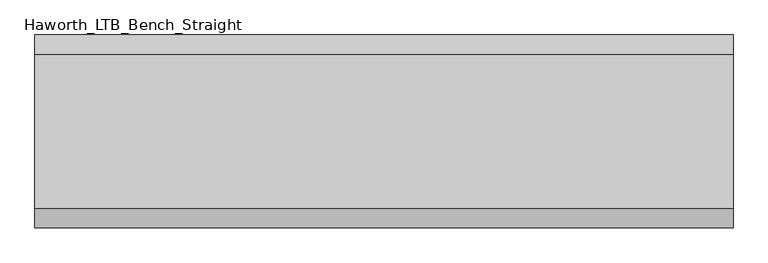
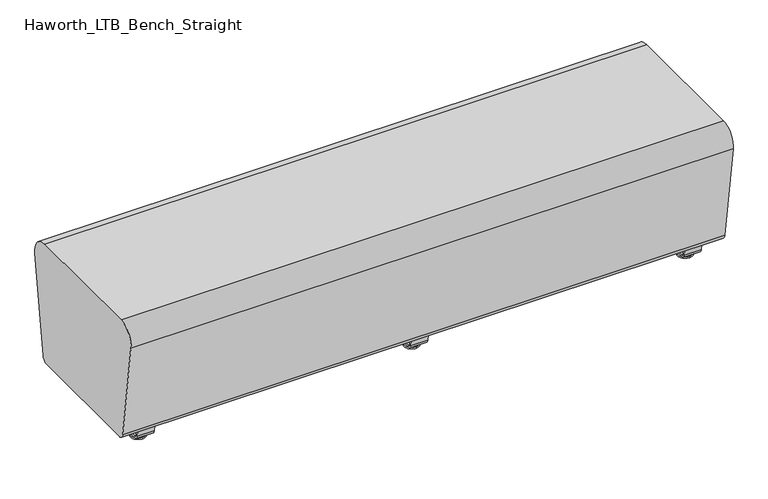
"""IFC4 building model written with IfcOpenShell, lengths in millimetres: furniture geometry, Haworth_LTB_Bench_Straight."""

from ifc_helpers import new_model, si_unit, point, frame, frame_2d, origin, place, context, project, spatial, polyline, circle_curve, ellipse_curve, trimmed, segment, composite_curve, outline, extrude, source, transform, mapped, element, save
from ifc_brep_helpers import plane_surface, cylinder_surface, revolved_surface, advanced_brep


def haworth_ltb_bench_straight_8e9fe05c(model_context):
    return source(origin(), model_context, "Body", "SolidModel", [
        advanced_brep(
        [(0.0, -134.8425052, 7.8133431), (0.0, -150.8355515, 7.8133431), (0.0, -147.6015284, 7.8133431), (0.0, -138.0765284, 7.8133431), (0.0, -120.9001513, 4.0775), (0.0, -164.7779054, 4.0775), (0.0, -121.3107026, 0.0), (0.0, -164.3673542, 0.0), (0.0, -142.8390284, 0.0), (0.0, -138.0765284, 50.0000004), (0.0, -147.6015284, 50.0000004), (0.0, -142.8390284, 50.0000004)],
        [
            (0, 1, circle_curve(frame((0.0, -142.8390284, 7.8133431), z_axis=(0.0, 0.0, 1.0), x_axis=(0.0, -1.0, 0.0)), 7.9965232)),
            (1, 2),
            (2, 3, circle_curve(frame((0.0, -142.8390284, 7.8133431), z_axis=(0.0, 0.0, -1.0), x_axis=(0.0, -1.0, 0.0)), 4.7625)),
            (3, 0),
            (1, 0, circle_curve(frame((0.0, -142.8390284, 7.8133431), z_axis=(0.0, 0.0, 1.0), x_axis=(0.0, -1.0, 0.0)), 7.9965232)),
            (3, 2, circle_curve(frame((0.0, -142.8390284, 7.8133431), z_axis=(0.0, 0.0, -1.0), x_axis=(0.0, -1.0, 0.0)), 4.7625)),
            (4, 5, circle_curve(frame((0.0, -142.8390284, 4.0775), z_axis=(0.0, 0.0, 1.0), x_axis=(0.0, -1.0, 0.0)), 21.9388771)),
            (5, 1),
            (0, 4),
            (5, 4, circle_curve(frame((0.0, -142.8390284, 4.0775), z_axis=(0.0, 0.0, 1.0), x_axis=(0.0, -1.0, 0.0)), 21.9388771)),
            (6, 7, circle_curve(frame((0.0, -142.8390284, 0.0), z_axis=(0.0, 0.0, 1.0), x_axis=(0.0, -1.0, 0.0)), 21.5283258)),
            (7, 5, circle_curve(frame((0.0, -164.2405822, 2.0721829), z_axis=(-1.0, 0.0, 0.0), x_axis=(0.0, 1.0, 0.0)), 2.0760571)),
            (4, 6, circle_curve(frame((0.0, -121.4374745, 2.0721829), z_axis=(-1.0, 0.0, 0.0), x_axis=(0.0, -1.0, 0.0)), 2.0760571)),
            (7, 6, circle_curve(frame((0.0, -142.8390284, 0.0), z_axis=(0.0, 0.0, 1.0), x_axis=(0.0, -1.0, 0.0)), 21.5283258)),
            (8, 7),
            (6, 8),
            (9, 10, circle_curve(frame((0.0, -142.8390284, 50.0000004), z_axis=(0.0, 0.0, 1.0), x_axis=(0.0, -1.0, 0.0)), 4.7625)),
            (10, 11),
            (11, 9),
            (10, 9, circle_curve(frame((0.0, -142.8390284, 50.0000004), z_axis=(0.0, 0.0, 1.0), x_axis=(0.0, -1.0, 0.0)), 4.7625)),
            (2, 10),
            (9, 3),
        ],
        [
            plane_surface(frame((0.0, -142.8390284, 7.8133431), z_axis=(0.0, 0.0, 1.0), x_axis=(0.0, -1.0, 0.0))),
            revolved_surface(polyline([(0.0, -150.8355515, 7.8133431), (0.0, -164.7779054, 4.0775)]), (0.0, -142.8390284, 0.0), (0.0, 0.0, -1.0)),
            revolved_surface(trimmed(ellipse_curve(frame((0.0, -164.2405822, 2.0721829), z_axis=(1.0, 0.0, 0.0), x_axis=(0.0, 1.0, 0.0)), 2.0760571, 2.0760571), [point((0.0, -164.7779054, 4.0775))], [point((0.0, -164.3673542, 0.0))], True, "CARTESIAN"), (0.0, -142.8390284, 0.0), (0.0, 0.0, -1.0)),
            plane_surface(frame((0.0, -142.8390284, 0.0), z_axis=(0.0, 0.0, -1.0), x_axis=(0.0, -1.0, 0.0))),
            plane_surface(frame((0.0, -142.8390284, 50.0000004), z_axis=(0.0, 0.0, 1.0), x_axis=(0.0, -1.0, 0.0))),
            cylinder_surface(frame((0.0, -142.8390284, 0.0), z_axis=(0.0, 0.0, -1.0), x_axis=(0.0, -1.0, 0.0)), 4.7625),
        ],
        [
            (0, [[1, 2, 3, 4]]),
            (0, [[5, -4, 6, -2]]),
            (1, [[7, 8, -1, 9]]),
            (1, [[10, -9, -5, -8]]),
            (2, [[11, 12, -7, 13]]),
            (2, [[14, -13, -10, -12]]),
            (3, [[15, -11, 16]]),
            (3, [[-16, -14, -15]]),
            (4, [[17, 18, 19]]),
            (4, [[20, -19, -18]]),
            (5, [[-3, 21, -17, 22]]),
            (5, [[-6, -22, -20, -21]]),
        ],
    ),
        advanced_brep(
        [(0.0, 138.0765284, 7.8133431), (0.0, 147.6015284, 7.8133431), (0.0, 150.8355515, 7.8133431), (0.0, 134.8425052, 7.8133431), (0.0, 164.7779054, 4.0775), (0.0, 120.9001513, 4.0775), (0.0, 164.3673542, 0.0), (0.0, 121.3107026, 0.0), (0.0, 142.8390284, 0.0), (0.0, 142.8390284, 50.0000004), (0.0, 147.6015284, 50.0000004), (0.0, 138.0765284, 50.0000004)],
        [
            (0, 1, circle_curve(frame((0.0, 142.8390284, 7.8133431), z_axis=(0.0, 0.0, -1.0), x_axis=(0.0, 1.0, 0.0)), 4.7625)),
            (1, 2),
            (2, 3, circle_curve(frame((0.0, 142.8390284, 7.8133431), z_axis=(0.0, 0.0, 1.0), x_axis=(0.0, 1.0, 0.0)), 7.9965232)),
            (3, 0),
            (1, 0, circle_curve(frame((0.0, 142.8390284, 7.8133431), z_axis=(0.0, 0.0, -1.0), x_axis=(0.0, 1.0, 0.0)), 4.7625)),
            (3, 2, circle_curve(frame((0.0, 142.8390284, 7.8133431), z_axis=(0.0, 0.0, 1.0), x_axis=(0.0, 1.0, 0.0)), 7.9965232)),
            (2, 4),
            (4, 5, circle_curve(frame((0.0, 142.8390284, 4.0775), z_axis=(0.0, 0.0, 1.0), x_axis=(0.0, 1.0, 0.0)), 21.9388771)),
            (5, 3),
            (5, 4, circle_curve(frame((0.0, 142.8390284, 4.0775), z_axis=(0.0, 0.0, 1.0), x_axis=(0.0, 1.0, 0.0)), 21.9388771)),
            (4, 6, circle_curve(frame((0.0, 164.2405822, 2.0721829), z_axis=(-1.0, 0.0, 0.0), x_axis=(0.0, -1.0, 0.0)), 2.0760571)),
            (6, 7, circle_curve(frame((0.0, 142.8390284, 0.0), z_axis=(0.0, 0.0, 1.0), x_axis=(0.0, 1.0, 0.0)), 21.5283258)),
            (7, 5, circle_curve(frame((0.0, 121.4374745, 2.0721829), z_axis=(-1.0, 0.0, 0.0), x_axis=(0.0, 1.0, 0.0)), 2.0760571)),
            (7, 6, circle_curve(frame((0.0, 142.8390284, 0.0), z_axis=(0.0, 0.0, 1.0), x_axis=(0.0, 1.0, 0.0)), 21.5283258)),
            (6, 8),
            (8, 7),
            (9, 10),
            (10, 11, circle_curve(frame((0.0, 142.8390284, 50.0000004), z_axis=(0.0, 0.0, 1.0), x_axis=(0.0, 1.0, 0.0)), 4.7625)),
            (11, 9),
            (11, 10, circle_curve(frame((0.0, 142.8390284, 50.0000004), z_axis=(0.0, 0.0, 1.0), x_axis=(0.0, 1.0, 0.0)), 4.7625)),
            (10, 1),
            (0, 11),
        ],
        [
            plane_surface(frame((0.0, 142.8390284, 7.8133431), z_axis=(0.0, 0.0, 1.0), x_axis=(0.0, 1.0, 0.0))),
            revolved_surface(polyline([(0.0, 164.7779054, 4.0775), (0.0, 150.8355515, 7.8133431)]), (0.0, 142.8390284, 0.0), (0.0, 0.0, 1.0)),
            revolved_surface(trimmed(ellipse_curve(frame((0.0, 164.2405822, 2.0721829), z_axis=(1.0, 0.0, 0.0), x_axis=(0.0, -1.0, 0.0)), 2.0760571, 2.0760571), [point((0.0, 164.3673542, 0.0))], [point((0.0, 164.7779054, 4.0775))], True, "CARTESIAN"), (0.0, 142.8390284, 0.0), (0.0, 0.0, 1.0)),
            plane_surface(frame((0.0, 142.8390284, 0.0), z_axis=(0.0, 0.0, -1.0), x_axis=(0.0, 1.0, 0.0))),
            plane_surface(frame((0.0, 142.8390284, 50.0000004), z_axis=(0.0, 0.0, 1.0), x_axis=(0.0, 1.0, 0.0))),
            cylinder_surface(frame((0.0, 142.8390284, 0.0), z_axis=(0.0, 0.0, 1.0), x_axis=(0.0, 1.0, 0.0)), 4.7625),
        ],
        [
            (0, [[1, 2, 3, 4]]),
            (0, [[5, -4, 6, -2]]),
            (1, [[-3, 7, 8, 9]]),
            (1, [[-6, -9, 10, -7]]),
            (2, [[-8, 11, 12, 13]]),
            (2, [[-10, -13, 14, -11]]),
            (3, [[-12, 15, 16]]),
            (3, [[-14, -16, -15]]),
            (4, [[17, 18, 19]]),
            (4, [[-19, 20, -17]]),
            (5, [[-18, 21, -1, 22]]),
            (5, [[-20, -22, -5, -21]]),
        ],
    ),
        extrude(outline(composite_curve([segment(polyline([(188.6158944, 62.9950557), (183.6853496, 27.9124042)]), True, "CONTINUOUS"), segment(trimmed(circle_curve(frame_2d((168.8313276, 30.0000007)), 15.000001), [point((183.6853496, 27.9124042))], [point((168.8313276, 14.9999997))], False, "CARTESIAN"), True, "CONTINUOUS"), segment(polyline([(168.8313276, 14.9999997), (-168.8313276, 14.9999997)]), True, "CONTINUOUS"), segment(trimmed(circle_curve(frame_2d((-168.8313276, 30.0000007)), 15.000001), [point((-168.8313276, 14.9999997))], [point((-183.6853496, 27.9124042))], False, "CARTESIAN"), True, "CONTINUOUS"), segment(polyline([(-183.6853496, 27.9124042), (-188.6158944, 62.9950557), (-182.9812615, 63.7869505), (-178.0507241, 28.7043023)]), True, "CONTINUOUS"), segment(trimmed(circle_curve(frame_2d((-168.8313262, 30.0000023)), 9.310002), [point((-178.0507241, 28.7043023))], [point((-168.8313262, 20.6900003))], True, "CARTESIAN"), True, "CONTINUOUS"), segment(polyline([(-168.8313262, 20.6900003), (168.8313262, 20.6900003)]), True, "CONTINUOUS"), segment(trimmed(circle_curve(frame_2d((168.8313262, 30.0000023)), 9.310002), [point((168.8313262, 20.6900003))], [point((178.0507241, 28.7043023))], True, "CARTESIAN"), True, "CONTINUOUS"), segment(polyline([(178.0507241, 28.7043023), (182.9812615, 63.7869505), (188.6158944, 62.9950557)]), True, "CONTINUOUS")], self_intersect=False)), frame((-25.4, 0.0, 0.0), z_axis=(1.0, 0.0, 0.0), x_axis=(0.0, 1.0, 0.0)), (0.0, 0.0, 1.0), 50.8),
        advanced_brep(
        [(819.2045358, -134.8425052, 7.8133431), (819.2045358, -150.8355515, 7.8133431), (819.2045358, -147.6015284, 7.8133431), (819.2045358, -138.0765284, 7.8133431), (819.2045358, -120.9001513, 4.0775), (819.2045358, -164.7779054, 4.0775), (819.2045358, -121.3107026, 0.0), (819.2045358, -164.3673542, 0.0), (819.2045358, -142.8390284, 0.0), (819.2045358, -138.0765284, 50.0000004), (819.2045358, -147.6015284, 50.0000004), (819.2045358, -142.8390284, 50.0000004)],
        [
            (0, 1, circle_curve(frame((819.2045358, -142.8390284, 7.8133431), z_axis=(0.0, 0.0, 1.0), x_axis=(0.0, -1.0, 0.0)), 7.9965232)),
            (1, 2),
            (2, 3, circle_curve(frame((819.2045358, -142.8390284, 7.8133431), z_axis=(0.0, 0.0, -1.0), x_axis=(0.0, -1.0, 0.0)), 4.7625)),
            (3, 0),
            (1, 0, circle_curve(frame((819.2045358, -142.8390284, 7.8133431), z_axis=(0.0, 0.0, 1.0), x_axis=(0.0, -1.0, 0.0)), 7.9965232)),
            (3, 2, circle_curve(frame((819.2045358, -142.8390284, 7.8133431), z_axis=(0.0, 0.0, -1.0), x_axis=(0.0, -1.0, 0.0)), 4.7625)),
            (4, 5, circle_curve(frame((819.2045358, -142.8390284, 4.0775), z_axis=(0.0, 0.0, 1.0), x_axis=(0.0, -1.0, 0.0)), 21.9388771)),
            (5, 1),
            (0, 4),
            (5, 4, circle_curve(frame((819.2045358, -142.8390284, 4.0775), z_axis=(0.0, 0.0, 1.0), x_axis=(0.0, -1.0, 0.0)), 21.9388771)),
            (6, 7, circle_curve(frame((819.2045358, -142.8390284, 0.0), z_axis=(0.0, 0.0, 1.0), x_axis=(0.0, -1.0, 0.0)), 21.5283258)),
            (7, 5, circle_curve(frame((819.2045358, -164.2405822, 2.0721829), z_axis=(-1.0, 0.0, 0.0), x_axis=(0.0, 1.0, 0.0)), 2.0760571)),
            (4, 6, circle_curve(frame((819.2045358, -121.4374745, 2.0721829), z_axis=(-1.0, 0.0, 0.0), x_axis=(0.0, -1.0, 0.0)), 2.0760571)),
            (7, 6, circle_curve(frame((819.2045358, -142.8390284, 0.0), z_axis=(0.0, 0.0, 1.0), x_axis=(0.0, -1.0, 0.0)), 21.5283258)),
            (8, 7),
            (6, 8),
            (9, 10, circle_curve(frame((819.2045358, -142.8390284, 50.0000004), z_axis=(0.0, 0.0, 1.0), x_axis=(0.0, -1.0, 0.0)), 4.7625)),
            (10, 11),
            (11, 9),
            (10, 9, circle_curve(frame((819.2045358, -142.8390284, 50.0000004), z_axis=(0.0, 0.0, 1.0), x_axis=(0.0, -1.0, 0.0)), 4.7625)),
            (2, 10),
            (9, 3),
        ],
        [
            plane_surface(frame((819.2045358, -142.8390284, 7.8133431), z_axis=(0.0, 0.0, 1.0), x_axis=(0.0, -1.0, 0.0))),
            revolved_surface(polyline([(819.2045358, -150.8355515, 7.8133431), (819.2045358, -164.7779054, 4.0775)]), (819.2045358, -142.8390284, 0.0), (0.0, 0.0, -1.0)),
            revolved_surface(trimmed(ellipse_curve(frame((819.2045358, -164.2405822, 2.0721829), z_axis=(1.0, 0.0, 0.0), x_axis=(0.0, 1.0, 0.0)), 2.0760571, 2.0760571), [point((819.2045358, -164.7779054, 4.0775))], [point((819.2045358, -164.3673542, 0.0))], True, "CARTESIAN"), (819.2045358, -142.8390284, 0.0), (0.0, 0.0, -1.0)),
            plane_surface(frame((819.2045358, -142.8390284, 0.0), z_axis=(0.0, 0.0, -1.0), x_axis=(0.0, -1.0, 0.0))),
            plane_surface(frame((819.2045358, -142.8390284, 50.0000004), z_axis=(0.0, 0.0, 1.0), x_axis=(0.0, -1.0, 0.0))),
            cylinder_surface(frame((819.2045358, -142.8390284, 0.0), z_axis=(0.0, 0.0, -1.0), x_axis=(0.0, -1.0, 0.0)), 4.7625),
        ],
        [
            (0, [[1, 2, 3, 4]]),
            (0, [[5, -4, 6, -2]]),
            (1, [[7, 8, -1, 9]]),
            (1, [[10, -9, -5, -8]]),
            (2, [[11, 12, -7, 13]]),
            (2, [[14, -13, -10, -12]]),
            (3, [[15, -11, 16]]),
            (3, [[-16, -14, -15]]),
            (4, [[17, 18, 19]]),
            (4, [[20, -19, -18]]),
            (5, [[-3, 21, -17, 22]]),
            (5, [[-6, -22, -20, -21]]),
        ],
    ),
        advanced_brep(
        [(819.2045358, 138.0765284, 7.8133431), (819.2045358, 147.6015284, 7.8133431), (819.2045358, 150.8355515, 7.8133431), (819.2045358, 134.8425052, 7.8133431), (819.2045358, 164.7779054, 4.0775), (819.2045358, 120.9001513, 4.0775), (819.2045358, 164.3673542, 0.0), (819.2045358, 121.3107026, 0.0), (819.2045358, 142.8390284, 0.0), (819.2045358, 142.8390284, 50.0000004), (819.2045358, 147.6015284, 50.0000004), (819.2045358, 138.0765284, 50.0000004)],
        [
            (0, 1, circle_curve(frame((819.2045358, 142.8390284, 7.8133431), z_axis=(0.0, 0.0, -1.0), x_axis=(0.0, 1.0, 0.0)), 4.7625)),
            (1, 2),
            (2, 3, circle_curve(frame((819.2045358, 142.8390284, 7.8133431), z_axis=(0.0, 0.0, 1.0), x_axis=(0.0, 1.0, 0.0)), 7.9965232)),
            (3, 0),
            (1, 0, circle_curve(frame((819.2045358, 142.8390284, 7.8133431), z_axis=(0.0, 0.0, -1.0), x_axis=(0.0, 1.0, 0.0)), 4.7625)),
            (3, 2, circle_curve(frame((819.2045358, 142.8390284, 7.8133431), z_axis=(0.0, 0.0, 1.0), x_axis=(0.0, 1.0, 0.0)), 7.9965232)),
            (2, 4),
            (4, 5, circle_curve(frame((819.2045358, 142.8390284, 4.0775), z_axis=(0.0, 0.0, 1.0), x_axis=(0.0, 1.0, 0.0)), 21.9388771)),
            (5, 3),
            (5, 4, circle_curve(frame((819.2045358, 142.8390284, 4.0775), z_axis=(0.0, 0.0, 1.0), x_axis=(0.0, 1.0, 0.0)), 21.9388771)),
            (4, 6, circle_curve(frame((819.2045358, 164.2405822, 2.0721829), z_axis=(-1.0, 0.0, 0.0), x_axis=(0.0, -1.0, 0.0)), 2.0760571)),
            (6, 7, circle_curve(frame((819.2045358, 142.8390284, 0.0), z_axis=(0.0, 0.0, 1.0), x_axis=(0.0, 1.0, 0.0)), 21.5283258)),
            (7, 5, circle_curve(frame((819.2045358, 121.4374745, 2.0721829), z_axis=(-1.0, 0.0, 0.0), x_axis=(0.0, 1.0, 0.0)), 2.0760571)),
            (7, 6, circle_curve(frame((819.2045358, 142.8390284, 0.0), z_axis=(0.0, 0.0, 1.0), x_axis=(0.0, 1.0, 0.0)), 21.5283258)),
            (6, 8),
            (8, 7),
            (9, 10),
            (10, 11, circle_curve(frame((819.2045358, 142.8390284, 50.0000004), z_axis=(0.0, 0.0, 1.0), x_axis=(0.0, 1.0, 0.0)), 4.7625)),
            (11, 9),
            (11, 10, circle_curve(frame((819.2045358, 142.8390284, 50.0000004), z_axis=(0.0, 0.0, 1.0), x_axis=(0.0, 1.0, 0.0)), 4.7625)),
            (10, 1),
            (0, 11),
        ],
        [
            plane_surface(frame((819.2045358, 142.8390284, 7.8133431), z_axis=(0.0, 0.0, 1.0), x_axis=(0.0, 1.0, 0.0))),
            revolved_surface(polyline([(819.2045358, 164.7779054, 4.0775), (819.2045358, 150.8355515, 7.8133431)]), (819.2045358, 142.8390284, 0.0), (0.0, 0.0, 1.0)),
            revolved_surface(trimmed(ellipse_curve(frame((819.2045358, 164.2405822, 2.0721829), z_axis=(1.0, 0.0, 0.0), x_axis=(0.0, -1.0, 0.0)), 2.0760571, 2.0760571), [point((819.2045358, 164.3673542, 0.0))], [point((819.2045358, 164.7779054, 4.0775))], True, "CARTESIAN"), (819.2045358, 142.8390284, 0.0), (0.0, 0.0, 1.0)),
            plane_surface(frame((819.2045358, 142.8390284, 0.0), z_axis=(0.0, 0.0, -1.0), x_axis=(0.0, 1.0, 0.0))),
            plane_surface(frame((819.2045358, 142.8390284, 50.0000004), z_axis=(0.0, 0.0, 1.0), x_axis=(0.0, 1.0, 0.0))),
            cylinder_surface(frame((819.2045358, 142.8390284, 0.0), z_axis=(0.0, 0.0, 1.0), x_axis=(0.0, 1.0, 0.0)), 4.7625),
        ],
        [
            (0, [[1, 2, 3, 4]]),
            (0, [[5, -4, 6, -2]]),
            (1, [[-3, 7, 8, 9]]),
            (1, [[-6, -9, 10, -7]]),
            (2, [[-8, 11, 12, 13]]),
            (2, [[-10, -13, 14, -11]]),
            (3, [[-12, 15, 16]]),
            (3, [[-14, -16, -15]]),
            (4, [[17, 18, 19]]),
            (4, [[-19, 20, -17]]),
            (5, [[-18, 21, -1, 22]]),
            (5, [[-20, -22, -5, -21]]),
        ],
    ),
        extrude(outline(composite_curve([segment(polyline([(188.6158944, 62.9950557), (183.6853496, 27.9124042)]), True, "CONTINUOUS"), segment(trimmed(circle_curve(frame_2d((168.8313276, 30.0000007)), 15.000001), [point((183.6853496, 27.9124042))], [point((168.8313276, 14.9999997))], False, "CARTESIAN"), True, "CONTINUOUS"), segment(polyline([(168.8313276, 14.9999997), (-168.8313276, 14.9999997)]), True, "CONTINUOUS"), segment(trimmed(circle_curve(frame_2d((-168.8313276, 30.0000007)), 15.000001), [point((-168.8313276, 14.9999997))], [point((-183.6853496, 27.9124042))], False, "CARTESIAN"), True, "CONTINUOUS"), segment(polyline([(-183.6853496, 27.9124042), (-188.6158944, 62.9950557), (-182.9812615, 63.7869505), (-178.0507241, 28.7043023)]), True, "CONTINUOUS"), segment(trimmed(circle_curve(frame_2d((-168.8313262, 30.0000023)), 9.310002), [point((-178.0507241, 28.7043023))], [point((-168.8313262, 20.6900003))], True, "CARTESIAN"), True, "CONTINUOUS"), segment(polyline([(-168.8313262, 20.6900003), (168.8313262, 20.6900003)]), True, "CONTINUOUS"), segment(trimmed(circle_curve(frame_2d((168.8313262, 30.0000023)), 9.310002), [point((168.8313262, 20.6900003))], [point((178.0507241, 28.7043023))], True, "CARTESIAN"), True, "CONTINUOUS"), segment(polyline([(178.0507241, 28.7043023), (182.9812615, 63.7869505), (188.6158944, 62.9950557)]), True, "CONTINUOUS")], self_intersect=False)), frame((793.8045358, 0.0, 0.0), z_axis=(1.0, 0.0, 0.0), x_axis=(0.0, 1.0, 0.0)), (0.0, 0.0, 1.0), 50.8),
        advanced_brep(
        [(-819.2045358, -138.0765284, 7.8133431), (-819.2045358, -147.6015284, 7.8133431), (-819.2045358, -150.8355515, 7.8133431), (-819.2045358, -134.8425052, 7.8133431), (-819.2045358, -164.7779054, 4.0775), (-819.2045358, -120.9001513, 4.0775), (-819.2045358, -164.3673542, 0.0), (-819.2045358, -121.3107026, 0.0), (-819.2045358, -142.8390284, 0.0), (-819.2045358, -142.8390284, 50.0000004), (-819.2045358, -147.6015284, 50.0000004), (-819.2045358, -138.0765284, 50.0000004)],
        [
            (0, 1, circle_curve(frame((-819.2045358, -142.8390284, 7.8133431), z_axis=(0.0, 0.0, -1.0), x_axis=(0.0, -1.0, 0.0)), 4.7625)),
            (1, 2),
            (2, 3, circle_curve(frame((-819.2045358, -142.8390284, 7.8133431), z_axis=(0.0, 0.0, 1.0), x_axis=(0.0, -1.0, 0.0)), 7.9965232)),
            (3, 0),
            (1, 0, circle_curve(frame((-819.2045358, -142.8390284, 7.8133431), z_axis=(0.0, 0.0, -1.0), x_axis=(0.0, -1.0, 0.0)), 4.7625)),
            (3, 2, circle_curve(frame((-819.2045358, -142.8390284, 7.8133431), z_axis=(0.0, 0.0, 1.0), x_axis=(0.0, -1.0, 0.0)), 7.9965232)),
            (2, 4),
            (4, 5, circle_curve(frame((-819.2045358, -142.8390284, 4.0775), z_axis=(0.0, 0.0, 1.0), x_axis=(0.0, -1.0, 0.0)), 21.9388771)),
            (5, 3),
            (5, 4, circle_curve(frame((-819.2045358, -142.8390284, 4.0775), z_axis=(0.0, 0.0, 1.0), x_axis=(0.0, -1.0, 0.0)), 21.9388771)),
            (4, 6, circle_curve(frame((-819.2045358, -164.2405822, 2.0721829), z_axis=(1.0, 0.0, 0.0), x_axis=(0.0, 1.0, 0.0)), 2.0760571)),
            (6, 7, circle_curve(frame((-819.2045358, -142.8390284, 0.0), z_axis=(0.0, 0.0, 1.0), x_axis=(0.0, -1.0, 0.0)), 21.5283258)),
            (7, 5, circle_curve(frame((-819.2045358, -121.4374745, 2.0721829), z_axis=(1.0, 0.0, 0.0), x_axis=(0.0, -1.0, 0.0)), 2.0760571)),
            (7, 6, circle_curve(frame((-819.2045358, -142.8390284, 0.0), z_axis=(0.0, 0.0, 1.0), x_axis=(0.0, -1.0, 0.0)), 21.5283258)),
            (6, 8),
            (8, 7),
            (9, 10),
            (10, 11, circle_curve(frame((-819.2045358, -142.8390284, 50.0000004), z_axis=(0.0, 0.0, 1.0), x_axis=(0.0, -1.0, 0.0)), 4.7625)),
            (11, 9),
            (11, 10, circle_curve(frame((-819.2045358, -142.8390284, 50.0000004), z_axis=(0.0, 0.0, 1.0), x_axis=(0.0, -1.0, 0.0)), 4.7625)),
            (10, 1),
            (0, 11),
        ],
        [
            plane_surface(frame((-819.2045358, -142.8390284, 7.8133431), z_axis=(0.0, 0.0, 1.0), x_axis=(0.0, -1.0, 0.0))),
            revolved_surface(polyline([(-819.2045358, -164.7779054, 4.0775), (-819.2045358, -150.8355515, 7.8133431)]), (-819.2045358, -142.8390284, 0.0), (0.0, 0.0, 1.0)),
            revolved_surface(trimmed(ellipse_curve(frame((-819.2045358, -164.2405822, 2.0721829), z_axis=(-1.0, 0.0, 0.0), x_axis=(0.0, 1.0, 0.0)), 2.0760571, 2.0760571), [point((-819.2045358, -164.3673542, 0.0))], [point((-819.2045358, -164.7779054, 4.0775))], True, "CARTESIAN"), (-819.2045358, -142.8390284, 0.0), (0.0, 0.0, 1.0)),
            plane_surface(frame((-819.2045358, -142.8390284, 0.0), z_axis=(0.0, 0.0, -1.0), x_axis=(0.0, -1.0, 0.0))),
            plane_surface(frame((-819.2045358, -142.8390284, 50.0000004), z_axis=(0.0, 0.0, 1.0), x_axis=(0.0, -1.0, 0.0))),
            cylinder_surface(frame((-819.2045358, -142.8390284, 0.0), z_axis=(0.0, 0.0, 1.0), x_axis=(0.0, -1.0, 0.0)), 4.7625),
        ],
        [
            (0, [[1, 2, 3, 4]]),
            (0, [[5, -4, 6, -2]]),
            (1, [[-3, 7, 8, 9]]),
            (1, [[-6, -9, 10, -7]]),
            (2, [[-8, 11, 12, 13]]),
            (2, [[-10, -13, 14, -11]]),
            (3, [[-12, 15, 16]]),
            (3, [[-14, -16, -15]]),
            (4, [[17, 18, 19]]),
            (4, [[-19, 20, -17]]),
            (5, [[-18, 21, -1, 22]]),
            (5, [[-20, -22, -5, -21]]),
        ],
    ),
        advanced_brep(
        [(-819.2045358, 134.8425052, 7.8133431), (-819.2045358, 150.8355515, 7.8133431), (-819.2045358, 147.6015284, 7.8133431), (-819.2045358, 138.0765284, 7.8133431), (-819.2045358, 120.9001513, 4.0775), (-819.2045358, 164.7779054, 4.0775), (-819.2045358, 121.3107026, 0.0), (-819.2045358, 164.3673542, 0.0), (-819.2045358, 142.8390284, 0.0), (-819.2045358, 138.0765284, 50.0000004), (-819.2045358, 147.6015284, 50.0000004), (-819.2045358, 142.8390284, 50.0000004)],
        [
            (0, 1, circle_curve(frame((-819.2045358, 142.8390284, 7.8133431), z_axis=(0.0, 0.0, 1.0), x_axis=(0.0, 1.0, 0.0)), 7.9965232)),
            (1, 2),
            (2, 3, circle_curve(frame((-819.2045358, 142.8390284, 7.8133431), z_axis=(0.0, 0.0, -1.0), x_axis=(0.0, 1.0, 0.0)), 4.7625)),
            (3, 0),
            (1, 0, circle_curve(frame((-819.2045358, 142.8390284, 7.8133431), z_axis=(0.0, 0.0, 1.0), x_axis=(0.0, 1.0, 0.0)), 7.9965232)),
            (3, 2, circle_curve(frame((-819.2045358, 142.8390284, 7.8133431), z_axis=(0.0, 0.0, -1.0), x_axis=(0.0, 1.0, 0.0)), 4.7625)),
            (4, 5, circle_curve(frame((-819.2045358, 142.8390284, 4.0775), z_axis=(0.0, 0.0, 1.0), x_axis=(0.0, 1.0, 0.0)), 21.9388771)),
            (5, 1),
            (0, 4),
            (5, 4, circle_curve(frame((-819.2045358, 142.8390284, 4.0775), z_axis=(0.0, 0.0, 1.0), x_axis=(0.0, 1.0, 0.0)), 21.9388771)),
            (6, 7, circle_curve(frame((-819.2045358, 142.8390284, 0.0), z_axis=(0.0, 0.0, 1.0), x_axis=(0.0, 1.0, 0.0)), 21.5283258)),
            (7, 5, circle_curve(frame((-819.2045358, 164.2405822, 2.0721829), z_axis=(1.0, 0.0, 0.0), x_axis=(0.0, -1.0, 0.0)), 2.0760571)),
            (4, 6, circle_curve(frame((-819.2045358, 121.4374745, 2.0721829), z_axis=(1.0, 0.0, 0.0), x_axis=(0.0, 1.0, 0.0)), 2.0760571)),
            (7, 6, circle_curve(frame((-819.2045358, 142.8390284, 0.0), z_axis=(0.0, 0.0, 1.0), x_axis=(0.0, 1.0, 0.0)), 21.5283258)),
            (8, 7),
            (6, 8),
            (9, 10, circle_curve(frame((-819.2045358, 142.8390284, 50.0000004), z_axis=(0.0, 0.0, 1.0), x_axis=(0.0, 1.0, 0.0)), 4.7625)),
            (10, 11),
            (11, 9),
            (10, 9, circle_curve(frame((-819.2045358, 142.8390284, 50.0000004), z_axis=(0.0, 0.0, 1.0), x_axis=(0.0, 1.0, 0.0)), 4.7625)),
            (2, 10),
            (9, 3),
        ],
        [
            plane_surface(frame((-819.2045358, 142.8390284, 7.8133431), z_axis=(0.0, 0.0, 1.0), x_axis=(0.0, 1.0, 0.0))),
            revolved_surface(polyline([(-819.2045358, 150.8355515, 7.8133431), (-819.2045358, 164.7779054, 4.0775)]), (-819.2045358, 142.8390284, 0.0), (0.0, 0.0, -1.0)),
            revolved_surface(trimmed(ellipse_curve(frame((-819.2045358, 164.2405822, 2.0721829), z_axis=(-1.0, 0.0, 0.0), x_axis=(0.0, -1.0, 0.0)), 2.0760571, 2.0760571), [point((-819.2045358, 164.7779054, 4.0775))], [point((-819.2045358, 164.3673542, 0.0))], True, "CARTESIAN"), (-819.2045358, 142.8390284, 0.0), (0.0, 0.0, -1.0)),
            plane_surface(frame((-819.2045358, 142.8390284, 0.0), z_axis=(0.0, 0.0, -1.0), x_axis=(0.0, 1.0, 0.0))),
            plane_surface(frame((-819.2045358, 142.8390284, 50.0000004), z_axis=(0.0, 0.0, 1.0), x_axis=(0.0, 1.0, 0.0))),
            cylinder_surface(frame((-819.2045358, 142.8390284, 0.0), z_axis=(0.0, 0.0, -1.0), x_axis=(0.0, 1.0, 0.0)), 4.7625),
        ],
        [
            (0, [[1, 2, 3, 4]]),
            (0, [[5, -4, 6, -2]]),
            (1, [[7, 8, -1, 9]]),
            (1, [[10, -9, -5, -8]]),
            (2, [[11, 12, -7, 13]]),
            (2, [[14, -13, -10, -12]]),
            (3, [[15, -11, 16]]),
            (3, [[-16, -14, -15]]),
            (4, [[17, 18, 19]]),
            (4, [[20, -19, -18]]),
            (5, [[-3, 21, -17, 22]]),
            (5, [[-6, -22, -20, -21]]),
        ],
    ),
        extrude(outline(composite_curve([segment(polyline([(188.6158944, 62.9950557), (183.6853496, 27.9124042)]), True, "CONTINUOUS"), segment(trimmed(circle_curve(frame_2d((168.8313276, 30.0000007)), 15.000001), [point((183.6853496, 27.9124042))], [point((168.8313276, 14.9999997))], False, "CARTESIAN"), True, "CONTINUOUS"), segment(polyline([(168.8313276, 14.9999997), (-168.8313276, 14.9999997)]), True, "CONTINUOUS"), segment(trimmed(circle_curve(frame_2d((-168.8313276, 30.0000007)), 15.000001), [point((-168.8313276, 14.9999997))], [point((-183.6853496, 27.9124042))], False, "CARTESIAN"), True, "CONTINUOUS"), segment(polyline([(-183.6853496, 27.9124042), (-188.6158944, 62.9950557), (-182.9812615, 63.7869505), (-178.0507241, 28.7043023)]), True, "CONTINUOUS"), segment(trimmed(circle_curve(frame_2d((-168.8313262, 30.0000023)), 9.310002), [point((-178.0507241, 28.7043023))], [point((-168.8313262, 20.6900003))], True, "CARTESIAN"), True, "CONTINUOUS"), segment(polyline([(-168.8313262, 20.6900003), (168.8313262, 20.6900003)]), True, "CONTINUOUS"), segment(trimmed(circle_curve(frame_2d((168.8313262, 30.0000023)), 9.310002), [point((168.8313262, 20.6900003))], [point((178.0507241, 28.7043023))], True, "CARTESIAN"), True, "CONTINUOUS"), segment(polyline([(178.0507241, 28.7043023), (182.9812615, 63.7869505), (188.6158944, 62.9950557)]), True, "CONTINUOUS")], self_intersect=False)), frame((-844.6045358, 0.0, 0.0), z_axis=(1.0, 0.0, 0.0), x_axis=(0.0, 1.0, 0.0)), (0.0, 0.0, 1.0), 50.8),
        extrude(outline(composite_curve([segment(trimmed(circle_curve(frame_2d((187.8390314, 68.9999996)), 18.9999992), [point((206.6541239, 66.3557108))], [point((187.8390314, 50.0000004))], False, "CARTESIAN"), True, "CONTINUOUS"), segment(polyline([(187.8390314, 50.0000004), (-187.8390314, 50.0000004)]), True, "CONTINUOUS"), segment(trimmed(circle_curve(frame_2d((-187.8390314, 68.9999996)), 18.9999992), [point((-187.8390314, 50.0000004))], [point((-206.6541239, 66.3557108))], False, "CARTESIAN"), True, "CONTINUOUS"), segment(polyline([(-206.6541239, 66.3557108), (-248.8457699, 366.5648734)]), True, "CONTINUOUS"), segment(trimmed(circle_curve(frame_2d((-198.0488862, 373.7039098)), 51.2960937), [point((-248.8457699, 366.5648734))], [point((-198.0488862, 425.0000035))], False, "CARTESIAN"), True, "CONTINUOUS"), segment(polyline([(-198.0488862, 425.0000035), (198.0488862, 425.0000035)]), True, "CONTINUOUS"), segment(trimmed(circle_curve(frame_2d((198.0488862, 373.7039098)), 51.2960937), [point((198.0488862, 425.0000035))], [point((248.8457699, 366.5648734))], False, "CARTESIAN"), True, "CONTINUOUS"), segment(polyline([(248.8457699, 366.5648734), (206.6541239, 66.3557108)]), True, "CONTINUOUS")], self_intersect=False)), frame((-901.7, 0.0, 0.0), z_axis=(1.0, 0.0, 0.0), x_axis=(0.0, 1.0, 0.0)), (0.0, 0.0, 1.0), 1803.4),
    ])


if __name__ == "__main__":
    model = new_model("IFC4")
    model_context = context("Model", 3, world=origin())
    ifc_project = project(units=[si_unit("LENGTHUNIT", "METRE", prefix="MILLI")], contexts=[model_context])
    site = spatial("IfcSite", under=ifc_project)
    building = spatial("IfcBuilding", under=site)
    placement = place(None, origin())
    haworth_ltb_bench_straight_shape = haworth_ltb_bench_straight_8e9fe05c(model_context)
    element("IfcFurniture", 1, ObjectType="Haworth_LTB_Bench_Straight", at=placement, inside=building, context=model_context, shape_type="MappedRepresentation", body=[
        mapped(haworth_ltb_bench_straight_shape, transform((0.0, 0.0, 0.0), x_axis=(1.0, 0.0, 0.0), y_axis=(0.0, 1.0, 0.0), z_axis=(0.0, 0.0, 1.0))),
    ])
    save(model, "model.ifc")
